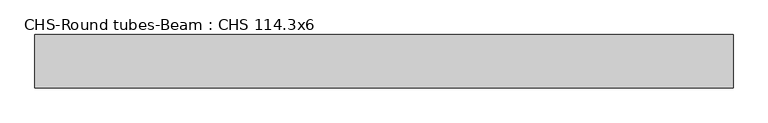
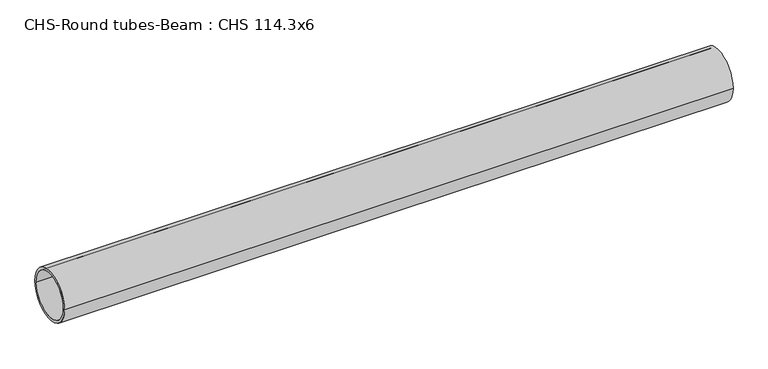
"""IFC4 building model written with IfcOpenShell, lengths in millimetres: beam geometry, CHS-Round tubes-Beam : CHS 114.3x6."""

from ifc_helpers import new_model, si_unit, point, frame, origin, origin_2d, place, context, project, spatial, circle_curve, trimmed, segment, composite_curve, outline, extrude, source, transform, mapped, element, save


def chs_round_tubes_beam_chs_114_3x6_5269c689(model_context):
    return source(origin(), model_context, "Body", "SweptSolid", [
        extrude(outline(composite_curve([segment(trimmed(circle_curve(origin_2d(), 57.15), [point((57.15, 0.0))], [point((-57.15, 0.0))], False, "CARTESIAN"), True, "CONTINUOUS"), segment(trimmed(circle_curve(origin_2d(), 57.15), [point((-57.15, 0.0))], [point((57.15, 0.0))], False, "CARTESIAN"), True, "CONTINUOUS")], self_intersect=False), holes=[composite_curve([segment(trimmed(circle_curve(origin_2d(), 51.15), [point((51.15, 0.0))], [point((-51.15, 0.0))], True, "CARTESIAN"), True, "CONTINUOUS"), segment(trimmed(circle_curve(origin_2d(), 51.15), [point((-51.15, 0.0))], [point((51.15, 0.0))], True, "CARTESIAN"), True, "CONTINUOUS")], self_intersect=False)]), frame((-761.6204968, 0.0, 0.0), z_axis=(1.0, 0.0, 0.0), x_axis=(0.0, 1.0, 0.0)), (0.0, 0.0, 1.0), 1494.4968967),
    ])


if __name__ == "__main__":
    model = new_model("IFC4")
    model_context = context("Model", 3, world=origin())
    ifc_project = project(units=[si_unit("LENGTHUNIT", "METRE", prefix="MILLI")], contexts=[model_context])
    site = spatial("IfcSite", under=ifc_project)
    building = spatial("IfcBuilding", under=site)
    placement = place(None, origin())
    chs_round_tubes_beam_chs_114_3x6_shape = chs_round_tubes_beam_chs_114_3x6_5269c689(model_context)
    element("IfcBeam", 1, ObjectType="CHS-Round tubes-Beam : CHS 114.3x6", at=placement, inside=building, context=model_context, shape_type="MappedRepresentation", body=[
        mapped(chs_round_tubes_beam_chs_114_3x6_shape, transform((0.0, 0.0, 0.0), x_axis=(1.0, 0.0, 0.0), y_axis=(0.0, 1.0, 0.0), z_axis=(0.0, 0.0, 1.0))),
    ])
    save(model, "model.ifc")
